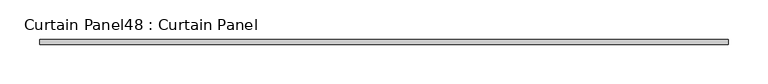
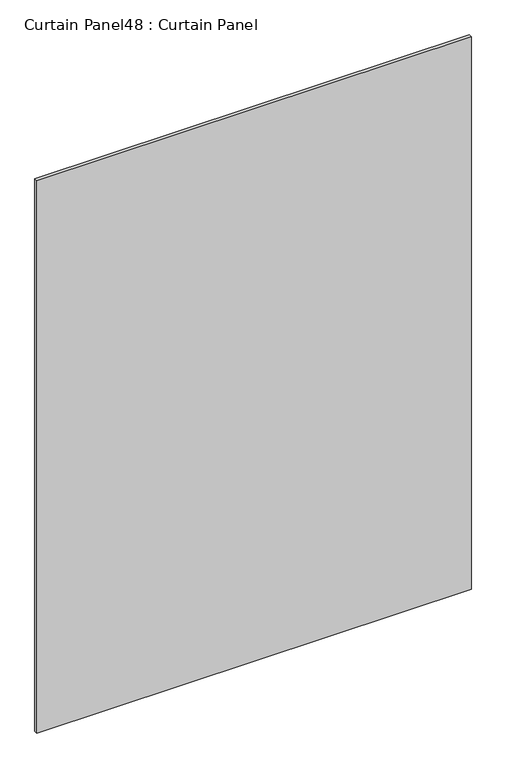
"""IFC4 building model written with IfcOpenShell, lengths in millimetres: plate geometry, Curtain Panel48 : Curtain Panel."""

from ifc_helpers import new_model, si_unit, frame, origin, place, context, project, spatial, polyline, outline, extrude, source, transform, mapped, element, save


def curtain_panel48_curtain_panel_5d91834f(model_context):
    return source(origin(), model_context, "Body", "SweptSolid", [
        extrude(outline(polyline([(-35583.0874283, 3064.714383), (-36453.0893244, 3064.714383), (-36453.0893244, 3071.064383), (-35583.0874283, 3071.064383), (-35583.0874283, 3064.714383)])), frame((0.0, 0.0, 1244.6), z_axis=(0.0, 0.0, 1.0), x_axis=(1.0, 0.0, 0.0)), (0.0, 0.0, 1.0), 1168.4),
    ])


if __name__ == "__main__":
    model = new_model("IFC4")
    model_context = context("Model", 3, world=origin())
    ifc_project = project(units=[si_unit("LENGTHUNIT", "METRE", prefix="MILLI")], contexts=[model_context])
    site = spatial("IfcSite", under=ifc_project)
    building = spatial("IfcBuilding", under=site)
    placement = place(None, origin())
    curtain_panel48_curtain_panel_shape = curtain_panel48_curtain_panel_5d91834f(model_context)
    element("IfcPlate", 1, ObjectType="Curtain Panel48 : Curtain Panel", at=placement, inside=building, context=model_context, shape_type="MappedRepresentation", body=[
        mapped(curtain_panel48_curtain_panel_shape, transform((0.0, 0.0, 0.0), x_axis=(1.0, 0.0, 0.0), y_axis=(0.0, 1.0, 0.0), z_axis=(0.0, 0.0, 1.0))),
    ])
    save(model, "model.ifc")
